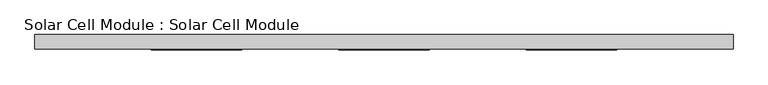
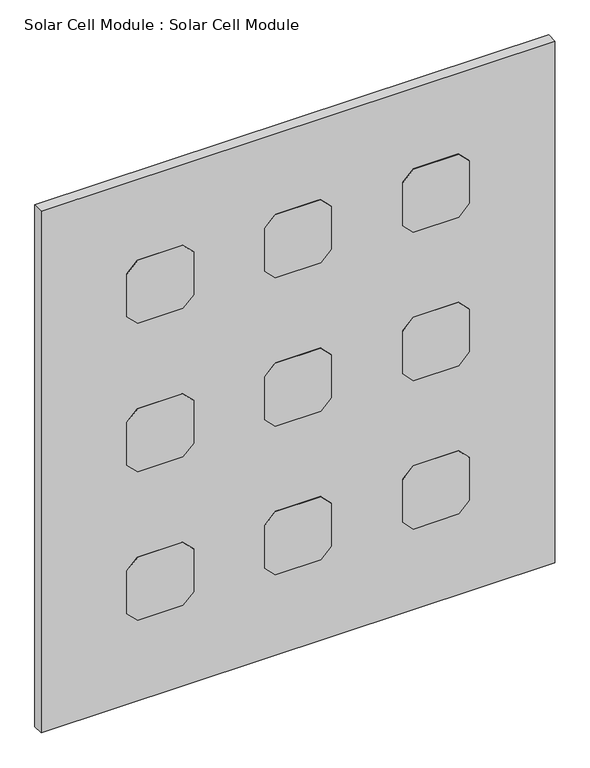
"""IFC4 building model written with IfcOpenShell, lengths in millimetres: plate geometry, Solar Cell Module : Solar Cell Module."""

from ifc_helpers import new_model, si_unit, frame, origin, origin_with_axes, place, context, project, spatial, polyline, outline, extrude, source, transform, mapped, element, save


def solar_cell_module_solar_cell_module_56d33b4c(model_context):
    return source(origin(), model_context, "Body", "SweptSolid", [
        extrude(outline(polyline([(567.1713593, 53.0), (592.1713593, 78.0), (698.1713593, 78.0), (723.1713593, 53.0), (723.1713593, -53.0), (698.1713593, -78.0), (592.1713593, -78.0), (567.1713593, -53.0), (567.1713593, 53.0)])), frame((0.0, -26.0, 0.0), z_axis=(0.0, 1.0, 0.0), x_axis=(0.0, 0.0, 1.0)), (0.0, 0.0, 1.0), 1.0),
        extrude(outline(polyline([(934.3427185, 53.0), (959.3427185, 78.0), (1065.3427185, 78.0), (1090.3427185, 53.0), (1090.3427185, -53.0), (1065.3427185, -78.0), (959.3427185, -78.0), (934.3427185, -53.0), (934.3427185, 53.0)])), frame((0.0, -26.0, 0.0), z_axis=(0.0, 1.0, 0.0), x_axis=(0.0, 0.0, 1.0)), (0.0, 0.0, 1.0), 1.0),
        extrude(outline(polyline([(200.0, 53.0), (225.0, 78.0), (331.0, 78.0), (356.0, 53.0), (356.0, -53.0), (331.0, -78.0), (225.0, -78.0), (200.0, -53.0), (200.0, 53.0)])), frame((0.0, -26.0, 0.0), z_axis=(0.0, 1.0, 0.0), x_axis=(0.0, 0.0, 1.0)), (0.0, 0.0, 1.0), 1.0),
        extrude(outline(polyline([(567.1713593, 375.7378602), (592.1713593, 400.7378602), (698.1713593, 400.7378602), (723.1713593, 375.7378602), (723.1713593, 269.7378602), (698.1713593, 244.7378602), (592.1713593, 244.7378602), (567.1713593, 269.7378602), (567.1713593, 375.7378602)])), frame((0.0, -26.0, 0.0), z_axis=(0.0, 1.0, 0.0), x_axis=(0.0, 0.0, 1.0)), (0.0, 0.0, 1.0), 1.0),
        extrude(outline(polyline([(934.3427185, 375.7378602), (959.3427185, 400.7378602), (1065.3427185, 400.7378602), (1090.3427185, 375.7378602), (1090.3427185, 269.7378602), (1065.3427185, 244.7378602), (959.3427185, 244.7378602), (934.3427185, 269.7378602), (934.3427185, 375.7378602)])), frame((0.0, -26.0, 0.0), z_axis=(0.0, 1.0, 0.0), x_axis=(0.0, 0.0, 1.0)), (0.0, 0.0, 1.0), 1.0),
        extrude(outline(polyline([(200.0, 375.7378602), (225.0, 400.7378602), (331.0, 400.7378602), (356.0, 375.7378602), (356.0, 269.7378602), (331.0, 244.7378602), (225.0, 244.7378602), (200.0, 269.7378602), (200.0, 375.7378602)])), frame((0.0, -26.0, 0.0), z_axis=(0.0, 1.0, 0.0), x_axis=(0.0, 0.0, 1.0)), (0.0, 0.0, 1.0), 1.0),
        extrude(outline(polyline([(567.1713593, -269.7378602), (592.1713593, -244.7378602), (698.1713593, -244.7378602), (723.1713593, -269.7378602), (723.1713593, -375.7378602), (698.1713593, -400.7378602), (592.1713593, -400.7378602), (567.1713593, -375.7378602), (567.1713593, -269.7378602)])), frame((0.0, -26.0, 0.0), z_axis=(0.0, 1.0, 0.0), x_axis=(0.0, 0.0, 1.0)), (0.0, 0.0, 1.0), 1.0),
        extrude(outline(polyline([(934.3427185, -269.7378602), (959.3427185, -244.7378602), (1065.3427185, -244.7378602), (1090.3427185, -269.7378602), (1090.3427185, -375.7378602), (1065.3427185, -400.7378602), (959.3427185, -400.7378602), (934.3427185, -375.7378602), (934.3427185, -269.7378602)])), frame((0.0, -26.0, 0.0), z_axis=(0.0, 1.0, 0.0), x_axis=(0.0, 0.0, 1.0)), (0.0, 0.0, 1.0), 1.0),
        extrude(outline(polyline([(200.0, -269.7378602), (225.0, -244.7378602), (331.0, -244.7378602), (356.0, -269.7378602), (356.0, -375.7378602), (331.0, -400.7378602), (225.0, -400.7378602), (200.0, -375.7378602), (200.0, -269.7378602)])), frame((0.0, -26.0, 0.0), z_axis=(0.0, 1.0, 0.0), x_axis=(0.0, 0.0, 1.0)), (0.0, 0.0, 1.0), 1.0),
        extrude(outline(polyline([(600.7378602, -25.0), (-600.7378602, -25.0), (-600.7378602, 0.0), (600.7378602, 0.0), (600.7378602, -25.0)])), origin_with_axes(), (0.0, 0.0, 1.0), 1290.3427185),
    ])


if __name__ == "__main__":
    model = new_model("IFC4")
    model_context = context("Model", 3, world=origin())
    ifc_project = project(units=[si_unit("LENGTHUNIT", "METRE", prefix="MILLI")], contexts=[model_context])
    site = spatial("IfcSite", under=ifc_project)
    building = spatial("IfcBuilding", under=site)
    placement = place(None, origin())
    solar_cell_module_solar_cell_module_shape = solar_cell_module_solar_cell_module_56d33b4c(model_context)
    element("IfcPlate", 1, ObjectType="Solar Cell Module : Solar Cell Module", at=placement, inside=building, context=model_context, shape_type="MappedRepresentation", body=[
        mapped(solar_cell_module_solar_cell_module_shape, transform((0.0, 0.0, 0.0), x_axis=(1.0, 0.0, 0.0), y_axis=(0.0, 1.0, 0.0), z_axis=(0.0, 0.0, 1.0))),
    ])
    save(model, "model.ifc")
